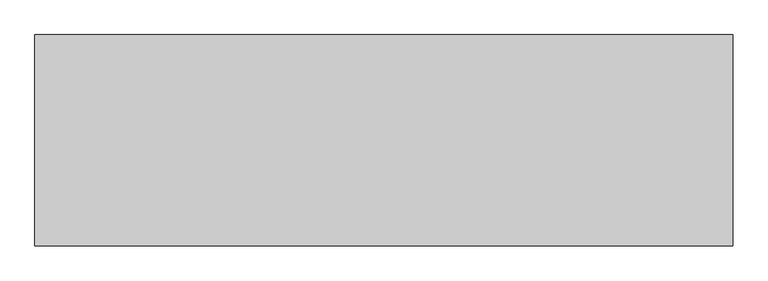
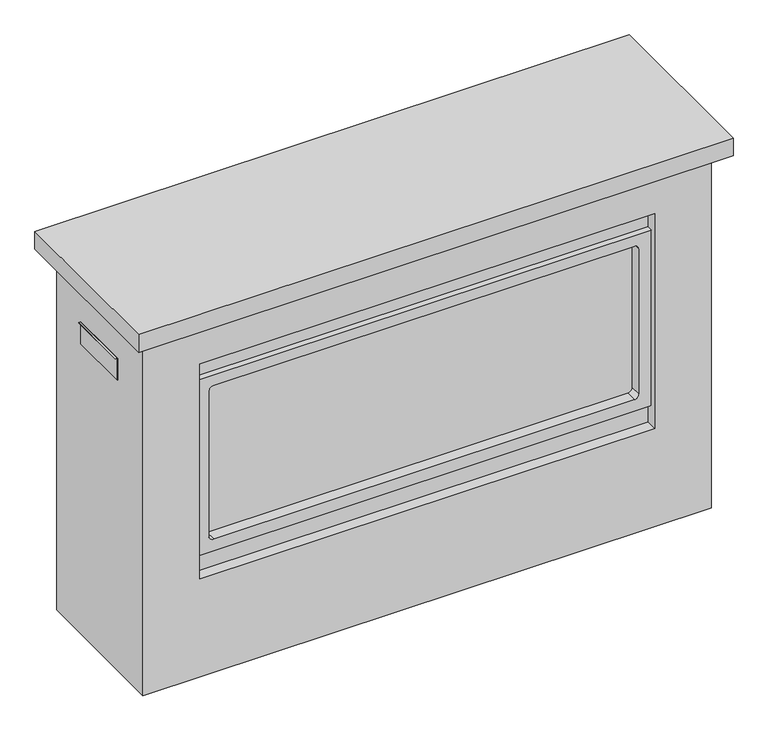
"""IFC4 building model written with IfcOpenShell, lengths in millimetres: proxy geometry."""

from ifc_helpers import new_model, si_unit, point, frame, frame_2d, origin, place, context, project, spatial, polyline, circle_curve, trimmed, segment, composite_curve, outline, extrude, source, transform, mapped, element, save
from ifc_brep_helpers import plane_surface, revolved_surface, advanced_brep


def generic_models_d0f854d7(model_context):
    return source(origin(), model_context, "Body", "SolidModel", [
        extrude(outline(composite_curve([segment(trimmed(circle_curve(frame_2d((729.4626, 629.5489017)), 1.7018), [point((731.1644, 629.5489017))], [point((729.4626, 627.8471017))], False, "CARTESIAN"), True, "CONTINUOUS"), segment(polyline([(729.4626, 627.8471017), (684.0302362, 627.8471017), (680.4675914, 627.8471017), (680.4675914, 627.0625), (679.6738414, 627.0625), (679.6738414, 628.6408517), (729.4626, 628.6408517)]), True, "CONTINUOUS"), segment(trimmed(circle_curve(frame_2d((729.4626, 629.5489017)), 0.90805), [point((729.4626, 628.6408517))], [point((730.37065, 629.5489017))], True, "CARTESIAN"), True, "CONTINUOUS"), segment(polyline([(730.37065, 629.5489017), (730.37065, 633.6891017), (731.1644, 633.6891017), (731.1644, 629.5489017)]), True, "CONTINUOUS")], self_intersect=False)), frame((0.0, -69.85, 0.0), z_axis=(0.0, 1.0, 0.0), x_axis=(0.0, 0.0, 1.0)), (0.0, 0.0, 1.0), 139.7),
        extrude(outline(composite_curve([segment(polyline([(731.1644, -629.5489017), (731.1644, -633.6891017), (730.37065, -633.6891017), (730.37065, -629.5489017)]), True, "CONTINUOUS"), segment(trimmed(circle_curve(frame_2d((729.4626, -629.5489017)), 0.90805), [point((730.37065, -629.5489017))], [point((729.4626, -628.6408517))], True, "CARTESIAN"), True, "CONTINUOUS"), segment(polyline([(729.4626, -628.6408517), (679.6738414, -628.6408517), (679.6738414, -627.0625), (680.4675914, -627.0625), (680.4675914, -627.8471017), (684.0302362, -627.8471017), (729.4626, -627.8471017)]), True, "CONTINUOUS"), segment(trimmed(circle_curve(frame_2d((729.4626, -629.5489017)), 1.7018), [point((729.4626, -627.8471017))], [point((731.1644, -629.5489017))], False, "CARTESIAN"), True, "CONTINUOUS")], self_intersect=False)), frame((0.0, -69.85, 0.0), z_axis=(0.0, 1.0, 0.0), x_axis=(0.0, 0.0, 1.0)), (0.0, 0.0, 1.0), 139.7),
        advanced_brep(
        [(627.0625, 165.1, 831.85), (-627.0625, 165.1, 831.85), (-627.0625, -165.1, 831.85), (627.0625, -165.1, 831.85), (627.0625, 165.1, 0.0), (627.0625, -165.1, 0.0), (-627.0625, -165.1, 0.0), (-627.0625, 165.1, 0.0), (-501.65, -165.1, 228.6569412), (-501.65, -165.1, 730.25), (501.65, -165.1, 730.25), (501.65, -165.1, 228.6569412), (501.65, -139.7, 730.25), (-501.65, -139.7, 730.25), (-501.65, -139.7, 684.6981706), (501.65, -139.7, 684.6981706), (501.65, -139.7, 274.2087706), (-501.65, -139.7, 274.2087706), (-501.65, -139.7, 228.6569412), (501.65, -139.7, 228.6569412), (-501.65, -152.4, 274.2087706), (-501.65, -152.4, 684.6981706), (501.65, -152.4, 684.6981706), (501.65, -152.4, 274.2087706), (-473.6084, -127.0, 649.7731706), (-473.6084, -127.0, 310.8863706), (-464.0834, -127.0, 301.3613706), (464.0834, -127.0, 301.3613706), (473.6084, -127.0, 310.8863706), (473.6084, -127.0, 649.7731706), (464.0834, -127.0, 659.2981706), (-464.0834, -127.0, 659.2981706), (-473.6084, -152.4, 649.7731706), (-473.6084, -152.4, 310.8863706), (-464.0834, -152.4, 301.3613706), (464.0834, -152.4, 301.3613706), (473.6084, -152.4, 310.8863706), (473.6084, -152.4, 649.7731706), (464.0834, -152.4, 659.2981706), (-464.0834, -152.4, 659.2981706)],
        [
            (0, 1),
            (1, 2),
            (2, 3),
            (3, 0),
            (4, 5),
            (5, 6),
            (6, 7),
            (7, 4),
            (0, 4),
            (7, 1),
            (6, 2),
            (5, 3),
            (8, 9),
            (9, 10),
            (10, 11),
            (11, 8),
            (12, 13),
            (13, 14),
            (14, 15),
            (15, 12),
            (16, 17),
            (17, 18),
            (18, 19),
            (19, 16),
            (12, 10),
            (9, 13),
            (8, 18),
            (17, 20),
            (20, 21),
            (21, 14),
            (21, 22),
            (22, 15),
            (22, 23),
            (23, 16),
            (19, 11),
            (23, 20),
            (24, 25),
            (25, 26, circle_curve(frame((-464.0834, -127.0, 310.8863706), z_axis=(0.0, -1.0, 0.0), x_axis=(1.0, 0.0, 0.0)), 9.525)),
            (26, 27),
            (27, 28, circle_curve(frame((464.0834, -127.0, 310.8863706), z_axis=(0.0, -1.0, 0.0), x_axis=(1.0, 0.0, 0.0)), 9.525)),
            (28, 29),
            (29, 30, circle_curve(frame((464.0834, -127.0, 649.7731706), z_axis=(0.0, -1.0, 0.0), x_axis=(1.0, 0.0, 0.0)), 9.525)),
            (30, 31),
            (31, 24, circle_curve(frame((-464.0834, -127.0, 649.7731706), z_axis=(0.0, -1.0, 0.0), x_axis=(1.0, 0.0, 0.0)), 9.525)),
            (24, 32),
            (32, 33),
            (33, 25),
            (33, 34, circle_curve(frame((-464.0834, -152.4, 310.8863706), z_axis=(0.0, -1.0, 0.0), x_axis=(1.0, 0.0, 0.0)), 9.525)),
            (34, 26),
            (34, 35),
            (35, 27),
            (35, 36, circle_curve(frame((464.0834, -152.4, 310.8863706), z_axis=(0.0, -1.0, 0.0), x_axis=(1.0, 0.0, 0.0)), 9.525)),
            (36, 28),
            (36, 37),
            (37, 29),
            (37, 38, circle_curve(frame((464.0834, -152.4, 649.7731706), z_axis=(0.0, -1.0, 0.0), x_axis=(1.0, 0.0, 0.0)), 9.525)),
            (38, 30),
            (38, 39),
            (39, 31),
            (39, 32, circle_curve(frame((-464.0834, -152.4, 649.7731706), z_axis=(0.0, -1.0, 0.0), x_axis=(1.0, 0.0, 0.0)), 9.525)),
        ],
        [
            plane_surface(frame((-465.1375, 165.1, 831.85), z_axis=(0.0, 0.0, 1.0), x_axis=(-1.0, 0.0, 0.0))),
            plane_surface(frame((-465.1375, 165.1, 0.0), z_axis=(0.0, 0.0, -1.0), x_axis=(1.0, 0.0, 0.0))),
            plane_surface(frame((627.0625, 165.1, 831.85), z_axis=(0.0, 1.0, 0.0), x_axis=(0.0, 0.0, -1.0))),
            plane_surface(frame((-627.0625, 165.1, 831.85), z_axis=(-1.0, 0.0, 0.0), x_axis=(0.0, 0.0, -1.0))),
            plane_surface(frame((-627.0625, -165.1, 831.85), z_axis=(0.0, -1.0, 0.0), x_axis=(0.0, 0.0, -1.0))),
            plane_surface(frame((627.0625, -165.1, 831.85), z_axis=(1.0, 0.0, 0.0), x_axis=(0.0, 0.0, -1.0))),
            plane_surface(frame((-501.65, -139.7, 730.25), z_axis=(0.0, -1.0, 0.0), x_axis=(1.0, 0.0, 0.0))),
            plane_surface(frame((501.65, -165.1, 730.25), z_axis=(0.0, 0.0, -1.0), x_axis=(0.0, 1.0, 0.0))),
            plane_surface(frame((-501.65, -165.1, 730.25), z_axis=(1.0, 0.0, 0.0), x_axis=(0.0, 1.0, 0.0))),
            plane_surface(frame((-501.65, -165.1, 684.6981706), z_axis=(0.0, 0.0, 1.0), x_axis=(0.0, 1.0, 0.0))),
            plane_surface(frame((501.65, -165.1, 684.6981706), z_axis=(-1.0, 0.0, 0.0), x_axis=(0.0, 1.0, 0.0))),
            plane_surface(frame((501.65, -165.1, 274.2087706), z_axis=(0.0, 0.0, -1.0), x_axis=(0.0, 1.0, 0.0))),
            plane_surface(frame((-501.65, -165.1, 228.6569412), z_axis=(0.0, 0.0, 1.0), x_axis=(0.0, 1.0, 0.0))),
            plane_surface(frame((-473.6084, -127.0, 310.8863706), z_axis=(0.0, -1.0, 0.0), x_axis=(0.0, 0.0, 1.0))),
            plane_surface(frame((-473.6084, -165.1, 649.7731706), z_axis=(1.0, 0.0, 0.0), x_axis=(0.0, 1.0, 0.0))),
            revolved_surface(polyline([(-454.5584, -152.4, 310.8863706), (-454.5584, -127.0, 310.8863706)]), (-464.0834, -127.0, 310.8863706), (0.0, -1.0, 0.0)),
            plane_surface(frame((-464.0834, -165.1, 301.3613706), z_axis=(0.0, 0.0, 1.0), x_axis=(0.0, 1.0, 0.0))),
            revolved_surface(polyline([(473.60839999999996, -152.4, 310.8863706), (473.60839999999996, -127.0, 310.8863706)]), (464.0834, -127.0, 310.8863706), (0.0, -1.0, 0.0)),
            plane_surface(frame((473.6084, -165.1, 310.8863706), z_axis=(-1.0, 0.0, 0.0), x_axis=(0.0, 1.0, 0.0))),
            revolved_surface(polyline([(473.60839999999996, -152.4, 649.7731706), (473.60839999999996, -127.0, 649.7731706)]), (464.0834, -127.0, 649.7731706), (0.0, -1.0, 0.0)),
            plane_surface(frame((464.0834, -165.1, 659.2981706), z_axis=(0.0, 0.0, -1.0), x_axis=(0.0, 1.0, 0.0))),
            revolved_surface(polyline([(-454.5584, -152.4, 649.7731706), (-454.5584, -127.0, 649.7731706)]), (-464.0834, -127.0, 649.7731706), (0.0, -1.0, 0.0)),
            plane_surface(frame((-454.5584, -152.4, 649.7731706), z_axis=(0.0, -1.0, 0.0), x_axis=(0.0, 0.0, 1.0))),
        ],
        [
            (0, [[1, 2, 3, 4]]),
            (1, [[5, 6, 7, 8]]),
            (2, [[-1, 9, -8, 10]]),
            (3, [[-2, -10, -7, 11]]),
            (4, [[-3, -11, -6, 12], [13, 14, 15, 16]]),
            (5, [[-4, -12, -5, -9]]),
            (6, [[17, 18, 19, 20]]),
            (6, [[21, 22, 23, 24]]),
            (7, [[-17, 25, -14, 26]]),
            (8, [[-18, -26, -13, 27, -22, 28, 29, 30]]),
            (9, [[-19, -30, 31, 32]]),
            (10, [[-20, -32, 33, 34, -24, 35, -15, -25]]),
            (11, [[-21, -34, 36, -28]]),
            (12, [[-23, -27, -16, -35]]),
            (13, [[37, 38, 39, 40, 41, 42, 43, 44]]),
            (14, [[-37, 45, 46, 47]]),
            (15, [[-38, -47, 48, 49]]),
            (16, [[-39, -49, 50, 51]]),
            (17, [[-40, -51, 52, 53]]),
            (18, [[-41, -53, 54, 55]]),
            (19, [[-42, -55, 56, 57]]),
            (20, [[-43, -57, 58, 59]]),
            (21, [[-44, -59, 60, -45]]),
            (22, [[-29, -36, -33, -31], [-46, -60, -58, -56, -54, -52, -50, -48]]),
        ],
    ),
        extrude(outline(polyline([(655.6375, 198.4375), (655.6375, -198.4375), (-655.6375, -198.4375), (-655.6375, 198.4375), (655.6375, 198.4375)])), frame((0.0, 0.0, 831.85), z_axis=(0.0, 0.0, 1.0), x_axis=(1.0, 0.0, 0.0)), (0.0, 0.0, 1.0), 41.275),
    ])


if __name__ == "__main__":
    model = new_model("IFC4")
    model_context = context("Model", 3, world=origin())
    ifc_project = project(units=[si_unit("LENGTHUNIT", "METRE", prefix="MILLI")], contexts=[model_context])
    site = spatial("IfcSite", under=ifc_project)
    building = spatial("IfcBuilding", under=site)
    placement = place(None, origin())
    generic_models_shape = generic_models_d0f854d7(model_context)
    element("IfcBuildingElementProxy", 1, Name="Generic Models", at=placement, inside=building, context=model_context, shape_type="MappedRepresentation", body=[
        mapped(generic_models_shape, transform((0.0, 0.0, 0.0), x_axis=(1.0, 0.0, 0.0), y_axis=(0.0, 1.0, 0.0), z_axis=(0.0, 0.0, 1.0))),
    ])
    save(model, "model.ifc")
